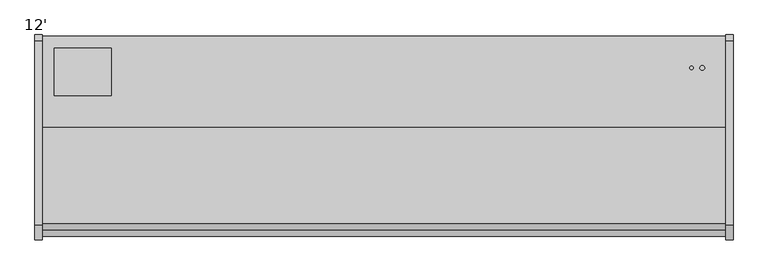
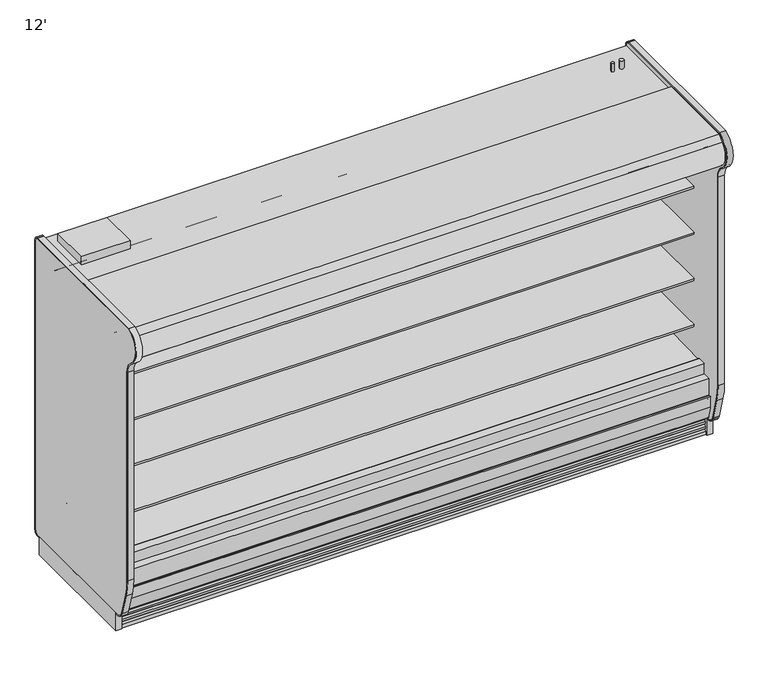
"""IFC4 building model written with IfcOpenShell, lengths in millimetres: proxy geometry, 12'."""

from ifc_helpers import new_model, si_unit, point, frame, frame_2d, origin, origin_with_axes, place, context, project, spatial, polyline, circle_curve, ellipse_curve, trimmed, segment, composite_curve, outline, extrude, source, transform, mapped, element, save
from ifc_brep_helpers import plane_surface, cylinder_surface, revolved_surface, advanced_brep


def proxy_12_2cf9d549(model_context):
    return source(origin(), model_context, "Body", "SolidModel", [
        advanced_brep(
        [(3657.6, -502.6469358, 478.049844), (3657.6, -555.1853592, 478.049844), (3657.6, -555.1853592, 470.6082296), (3657.6, -566.9994519, 457.9391661), (3657.6, -652.5039641, 451.9601082), (3657.6, -661.9535863, 451.9601082), (3657.6, -661.9535863, 458.3354811), (3657.6, -664.8262137, 461.0924129), (3657.6, -1183.8353592, 448.8187782), (3657.6, -1183.8353592, 451.8697146), (3657.6, -1191.7601592, 459.7945146), (3657.6, -1245.9961468, 459.7945146), (3657.6, -1245.9961468, 281.5377373), (3657.6, -1136.0148401, 189.2524634), (3657.6, -1121.4102893, 189.7624656), (3657.6, -1082.2990149, 161.4683934), (3657.6, -1081.0610355, 161.5116246), (3657.6, -1067.6895315, 152.4973852), (3657.6, -1007.4012798, 154.6026974), (3657.6, -994.6911497, 164.5277274), (3657.6, -993.4531703, 164.5709586), (3657.6, -956.4108637, 195.5243725), (3657.6, -502.6469358, 211.370158), (0.0, -502.6469358, 478.049844), (0.0, -502.6469358, 211.370158), (0.0, -956.4108637, 195.5243725), (0.0, -993.4531703, 164.5709586), (0.0, -994.6911497, 164.5277274), (0.0, -1007.4012798, 154.6026974), (0.0, -1067.6895315, 152.4973852), (0.0, -1081.0610355, 161.5116246), (0.0, -1082.2990149, 161.4683934), (0.0, -1121.4102893, 189.7624656), (0.0, -1136.0148401, 189.2524634), (0.0, -1245.9961468, 281.5377373), (0.0, -1245.9961468, 459.7945146), (0.0, -1191.7601592, 459.7945146), (0.0, -1183.8353592, 451.8697146), (0.0, -1183.8353592, 448.8187782), (0.0, -664.8262137, 461.0924129), (0.0, -661.9535863, 458.3354811), (0.0, -661.9535863, 451.9601082), (0.0, -652.5039641, 451.9601082), (0.0, -566.9994519, 457.9391661), (0.0, -555.1853592, 470.6082296), (0.0, -555.1853592, 478.049844), (3508.8060645, -547.5589273, 209.8017967), (3556.0, -547.5589273, 279.4), (3603.1939355, -547.5589273, 209.8017967), (3556.0, -502.6469358, 279.4), (3603.7888328, -502.6469358, 211.370158), (3508.2111672, -502.6469358, 211.370158)],
        [
            (0, 1),
            (1, 2),
            (2, 3, circle_curve(frame((3657.6, -567.8853592, 470.6082296), z_axis=(-1.0, 0.0, 0.0), x_axis=(0.0, 1.0, 0.0)), 12.7)),
            (3, 4),
            (4, 5),
            (5, 6),
            (6, 7, circle_curve(frame((3657.6, -664.7598588, 458.2864974), z_axis=(1.0, 0.0, 0.0), x_axis=(0.0, 1.0, 0.0)), 2.8067)),
            (7, 8),
            (8, 9),
            (9, 10, circle_curve(frame((3657.6, -1191.7601592, 451.8697146), z_axis=(1.0, 0.0, 0.0), x_axis=(0.0, 1.0, 0.0)), 7.9248)),
            (10, 11),
            (11, 12),
            (12, 13),
            (13, 14),
            (14, 15),
            (15, 16),
            (16, 17),
            (17, 18),
            (18, 19),
            (19, 20),
            (20, 21),
            (21, 22),
            (22, 0),
            (23, 24),
            (24, 25),
            (25, 26),
            (26, 27),
            (27, 28),
            (28, 29),
            (29, 30),
            (30, 31),
            (31, 32),
            (32, 33),
            (33, 34),
            (34, 35),
            (35, 36),
            (36, 37, circle_curve(frame((0.0, -1191.7601592, 451.8697146), z_axis=(-1.0, 0.0, 0.0), x_axis=(0.0, 1.0, 0.0)), 7.9248)),
            (37, 38),
            (38, 39),
            (39, 40, circle_curve(frame((0.0, -664.7598588, 458.2864974), z_axis=(-1.0, 0.0, 0.0), x_axis=(0.0, 1.0, 0.0)), 2.8067)),
            (40, 41),
            (41, 42),
            (42, 43),
            (43, 44, circle_curve(frame((0.0, -567.8853592, 470.6082296), z_axis=(1.0, 0.0, 0.0), x_axis=(0.0, 1.0, 0.0)), 12.7)),
            (44, 45),
            (45, 23),
            (46, 47, circle_curve(frame((3556.0, -547.5589273, 228.6), z_axis=(0.0, 1.0, 0.0), x_axis=(0.0, 0.0, 1.0)), 50.8)),
            (47, 48, circle_curve(frame((3556.0, -547.5589273, 228.6), z_axis=(0.0, 1.0, 0.0), x_axis=(0.0, 0.0, 1.0)), 50.8)),
            (48, 46),
            (47, 49),
            (49, 50, circle_curve(frame((3556.0, -502.6469358, 228.6), z_axis=(0.0, 1.0, 0.0), x_axis=(0.0, 0.0, 1.0)), 50.8)),
            (50, 48, ellipse_curve(frame((3556.0, -9.248816, 228.6), z_axis=(0.0, 0.03489949670246394, -0.9993908270190971), x_axis=(0.0, -0.9993908270190969, -0.03489949670246394)), 1455.6083841, 50.8)),
            (46, 51, ellipse_curve(frame((3556.0, -9.248816, 228.6), z_axis=(0.0, 0.03489949670246394, -0.9993908270190971), x_axis=(0.0, -0.9993908270190969, -0.03489949670246394)), 1455.6083841, 50.8)),
            (51, 49, circle_curve(frame((3556.0, -502.6469358, 228.6), z_axis=(0.0, 1.0, 0.0), x_axis=(0.0, 0.0, 1.0)), 50.8)),
            (22, 50),
            (51, 24),
            (23, 0),
            (45, 1),
            (44, 2),
            (43, 3),
            (42, 4),
            (41, 5),
            (40, 6),
            (39, 7),
            (8, 38),
            (37, 9),
            (36, 10),
            (35, 11),
            (34, 12),
            (33, 13),
            (32, 14),
            (31, 15),
            (30, 16),
            (29, 17),
            (28, 18),
            (27, 19),
            (26, 20),
            (25, 21),
        ],
        [
            plane_surface(frame((3657.6, -502.6469358, 478.049844), z_axis=(1.0, 0.0, 0.0), x_axis=(0.0, -1.0, 0.0))),
            plane_surface(frame((0.0, -502.6469358, 478.049844), z_axis=(-1.0, 0.0, 0.0), x_axis=(0.0, 1.0, 0.0))),
            plane_surface(frame((3556.0, -547.5589273, 279.4), z_axis=(0.0, 1.0, 0.0), x_axis=(-1.0, 0.0, 0.0))),
            revolved_surface(polyline([(3556.0, -1463.9704828016302, 279.4), (3556.0, 1445.47285080163, 279.4)]), (3556.0, -401.5089273, 228.6), (0.0, -1.0, 0.0)),
            plane_surface(frame((3657.6, -502.6469358, 211.370158), z_axis=(0.0, 1.0, 0.0), x_axis=(-1.0, 0.0, 0.0))),
            plane_surface(frame((3657.6, -502.6469358, 478.049844), z_axis=(0.0, 0.0, 1.0), x_axis=(-1.0, 0.0, 0.0))),
            plane_surface(frame((3657.6, -555.1853592, 478.049844), z_axis=(0.0, -1.0, 0.0), x_axis=(-1.0, 0.0, 0.0))),
            revolved_surface(polyline([(0.0, -555.1853592, 470.6082296), (3657.6, -555.1853592, 470.6082296)]), (0.0, -567.8853592, 470.6082296), (-1.0, 0.0, 0.0)),
            plane_surface(frame((3657.6, -566.9994519, 457.9391661), z_axis=(0.0, -0.06975647369769979, 0.9975640502630707), x_axis=(-1.0, 0.0, 0.0))),
            plane_surface(frame((3657.6, -652.5039641, 451.9601082), z_axis=(0.0, 0.0, 1.0), x_axis=(-1.0, 0.0, 0.0))),
            plane_surface(frame((3657.6, -661.9535863, 451.9601082), z_axis=(0.0, 1.0, 0.0), x_axis=(-1.0, 0.0, 0.0))),
            cylinder_surface(frame((0.0, -664.7598588, 458.2864974), z_axis=(1.0, 0.0, 0.0), x_axis=(0.0, 1.0, 0.0)), 2.8067),
            plane_surface(frame((3657.6, -1183.8353592, 448.8187782), z_axis=(0.0, 1.0, 0.0), x_axis=(-1.0, 0.0, 0.0))),
            cylinder_surface(frame((0.0, -1191.7601592, 451.8697146), z_axis=(1.0, 0.0, 0.0), x_axis=(0.0, 1.0, 0.0)), 7.9248),
            plane_surface(frame((3657.6, -1191.7601592, 459.7945146), z_axis=(0.0, 0.0, 1.0), x_axis=(-1.0, 0.0, 0.0))),
            plane_surface(frame((3657.6, -1245.9961468, 459.7945146), z_axis=(0.0, -1.0, 0.0), x_axis=(-1.0, 0.0, 0.0))),
            plane_surface(frame((3657.6, -664.8262137, 461.0924129), z_axis=(0.0, -0.02364159544812426, 0.9997204984217676), x_axis=(-1.0, 0.0, 0.0))),
            plane_surface(frame((3657.6, -1245.9961468, 281.5377373), z_axis=(0.0, -0.642787609687072, -0.766044443118531), x_axis=(-1.0, 0.0, 0.0))),
            plane_surface(frame((3657.6, -1136.0148401, 189.2524634), z_axis=(0.0, 0.03489949670339704, -0.9993908270190645), x_axis=(-1.0, 0.0, 0.0))),
            plane_surface(frame((3657.6, -1121.4102893, 189.7624656), z_axis=(0.0, -0.5861307997256249, -0.8102164436821802), x_axis=(-1.0, 0.0, 0.0))),
            plane_surface(frame((3657.6, -1082.2990149, 161.4683934), z_axis=(0.0, 0.0348994967014342, -0.9993908270191331), x_axis=(-1.0, 0.0, 0.0))),
            plane_surface(frame((3657.6, -1081.0610355, 161.5116246), z_axis=(0.0, -0.5589817440967416, -0.8291799622317009), x_axis=(-1.0, 0.0, 0.0))),
            plane_surface(frame((3657.6, -1067.6895315, 152.4973852), z_axis=(0.0, 0.034899496702446756, -0.9993908270190978), x_axis=(-1.0, 0.0, 0.0))),
            plane_surface(frame((3657.6, -1007.4012798, 154.6026974), z_axis=(0.0, 0.6154607629252867, -0.7881675261639648), x_axis=(-1.0, 0.0, 0.0))),
            plane_surface(frame((3657.6, -994.6911497, 164.5277274), z_axis=(0.0, 0.03489949670161573, -0.9993908270191267), x_axis=(-1.0, 0.0, 0.0))),
            plane_surface(frame((3657.6, -993.4531703, 164.5709586), z_axis=(0.0, 0.6412208566386183, -0.7673563794037531), x_axis=(-1.0, 0.0, 0.0))),
            plane_surface(frame((3657.6, -956.4108637, 195.5243725), z_axis=(0.0, 0.03489949670246394, -0.9993908270190971), x_axis=(-1.0, 0.0, 0.0))),
        ],
        [
            (0, [[1, 2, 3, 4, 5, 6, 7, 8, 9, 10, 11, 12, 13, 14, 15, 16, 17, 18, 19, 20, 21, 22, 23]]),
            (1, [[24, 25, 26, 27, 28, 29, 30, 31, 32, 33, 34, 35, 36, 37, 38, 39, 40, 41, 42, 43, 44, 45, 46]]),
            (2, [[47, 48, 49]]),
            (3, [[-48, 50, 51, 52]]),
            (3, [[-47, 53, 54, -50]]),
            (4, [[-23, 55, -51, -54, 56, -24, 57]]),
            (5, [[-1, -57, -46, 58]]),
            (6, [[-2, -58, -45, 59]]),
            (7, [[-3, -59, -44, 60]]),
            (8, [[-4, -60, -43, 61]]),
            (9, [[-5, -61, -42, 62]]),
            (10, [[-6, -62, -41, 63]]),
            (11, [[-7, -63, -40, 64]]),
            (12, [[-9, 65, -38, 66]]),
            (13, [[-10, -66, -37, 67]]),
            (14, [[-11, -67, -36, 68]]),
            (15, [[-12, -68, -35, 69]]),
            (16, [[-8, -64, -39, -65]]),
            (17, [[-13, -69, -34, 70]]),
            (18, [[-14, -70, -33, 71]]),
            (19, [[-15, -71, -32, 72]]),
            (20, [[-16, -72, -31, 73]]),
            (21, [[-17, -73, -30, 74]]),
            (22, [[-18, -74, -29, 75]]),
            (23, [[-19, -75, -28, 76]]),
            (24, [[-20, -76, -27, 77]]),
            (25, [[-21, -77, -26, 78]]),
            (26, [[-22, -78, -25, -56, -53, -49, -52, -55]]),
        ],
    ),
        advanced_brep(
        [(3657.6, -452.3089273, 478.049844), (3657.6, -502.6469358, 478.049844), (3657.6, -502.6469358, 211.370158), (3657.6, -956.4108637, 195.5243725), (3657.6, -993.4531703, 164.5709586), (3657.6, -994.6911497, 164.5277274), (3657.6, -1007.4012798, 154.6026974), (3657.6, -1067.6895315, 152.4973852), (3657.6, -1081.0610355, 161.5116246), (3657.6, -1082.2990149, 161.4683934), (3657.6, -1121.4102893, 189.7624656), (3657.6, -1136.0148401, 189.2524634), (3657.6, -1245.9961468, 281.5377373), (3657.6, -1245.9961468, 391.318369), (3657.6, -1295.500747, 391.318369), (3657.6, -1295.500747, 255.4053459), (3657.6, -1146.2570324, 130.175), (3657.6, -452.3089273, 130.175), (0.0, -452.3089273, 478.049844), (0.0, -452.3089273, 130.175), (0.0, -1146.2570324, 130.175), (0.0, -1295.500747, 255.4053459), (0.0, -1295.500747, 391.318369), (0.0, -1245.9961468, 391.318369), (0.0, -1245.9961468, 281.5377373), (0.0, -1136.0148401, 189.2524634), (0.0, -1121.4102893, 189.7624656), (0.0, -1082.2990149, 161.4683934), (0.0, -1081.0610355, 161.5116246), (0.0, -1067.6895315, 152.4973852), (0.0, -1007.4012798, 154.6026974), (0.0, -994.6911497, 164.5277274), (0.0, -993.4531703, 164.5709586), (0.0, -956.4108637, 195.5243725), (0.0, -502.6469358, 211.370158), (0.0, -502.6469358, 478.049844), (3556.0, -452.3089273, 177.8), (3556.0, -452.3089273, 279.4), (3556.0, -547.5589273, 177.8), (3508.8060645, -547.5589273, 209.8017967), (3603.1939355, -547.5589273, 209.8017967), (3603.7888328, -502.6469358, 211.370158), (3556.0, -502.6469358, 279.4), (3508.2111672, -502.6469358, 211.370158)],
        [
            (0, 1),
            (1, 2),
            (2, 3),
            (3, 4),
            (4, 5),
            (5, 6),
            (6, 7),
            (7, 8),
            (8, 9),
            (9, 10),
            (10, 11),
            (11, 12),
            (12, 13),
            (13, 14),
            (14, 15),
            (15, 16),
            (16, 17),
            (17, 0),
            (18, 19),
            (19, 20),
            (20, 21),
            (21, 22),
            (22, 23),
            (23, 24),
            (24, 25),
            (25, 26),
            (26, 27),
            (27, 28),
            (28, 29),
            (29, 30),
            (30, 31),
            (31, 32),
            (32, 33),
            (33, 34),
            (34, 35),
            (35, 18),
            (14, 22),
            (21, 15),
            (17, 19),
            (18, 0),
            (36, 37, circle_curve(frame((3556.0, -452.3089273, 228.6), z_axis=(0.0, -1.0, 0.0), x_axis=(0.0, 0.0, 1.0)), 50.8)),
            (37, 36, circle_curve(frame((3556.0, -452.3089273, 228.6), z_axis=(0.0, -1.0, 0.0), x_axis=(0.0, 0.0, 1.0)), 50.8)),
            (38, 39, circle_curve(frame((3556.0, -547.5589273, 228.6), z_axis=(0.0, 1.0, 0.0), x_axis=(0.0, 0.0, 1.0)), 50.8)),
            (39, 40),
            (40, 38, circle_curve(frame((3556.0, -547.5589273, 228.6), z_axis=(0.0, 1.0, 0.0), x_axis=(0.0, 0.0, 1.0)), 50.8)),
            (40, 41, ellipse_curve(frame((3556.0, -9.248816, 228.6), z_axis=(0.0, -0.034899496702464144, 0.999390827019097), x_axis=(0.0, -0.9993908270190969, -0.03489949670246414)), 1455.6083841, 50.8)),
            (41, 42, circle_curve(frame((3556.0, -502.6469358, 228.6), z_axis=(0.0, -1.0, 0.0), x_axis=(0.0, 0.0, 1.0)), 50.8)),
            (42, 37),
            (36, 38),
            (42, 43, circle_curve(frame((3556.0, -502.6469358, 228.6), z_axis=(0.0, -1.0, 0.0), x_axis=(0.0, 0.0, 1.0)), 50.8)),
            (43, 39, ellipse_curve(frame((3556.0, -9.248816, 228.6), z_axis=(0.0, -0.034899496702464144, 0.999390827019097), x_axis=(0.0, -0.9993908270190969, -0.03489949670246414)), 1455.6083841, 50.8)),
            (35, 1),
            (34, 43),
            (41, 2),
            (12, 24),
            (23, 13),
            (33, 3),
            (32, 4),
            (31, 5),
            (30, 6),
            (29, 7),
            (28, 8),
            (27, 9),
            (26, 10),
            (25, 11),
            (20, 16),
        ],
        [
            plane_surface(frame((3657.6, -502.6469358, 478.049844), z_axis=(1.0, 0.0, 0.0), x_axis=(0.0, -1.0, 0.0))),
            plane_surface(frame((0.0, -502.6469358, 478.049844), z_axis=(-1.0, 0.0, 0.0), x_axis=(0.0, 1.0, 0.0))),
            plane_surface(frame((3657.6, -1295.500747, 391.318369), z_axis=(0.0, -1.0, 0.0), x_axis=(-1.0, 0.0, 0.0))),
            plane_surface(frame((3657.6, -452.3089273, 130.175), z_axis=(0.0, 1.0, 0.0), x_axis=(-1.0, 0.0, 0.0))),
            plane_surface(frame((3556.0, -547.5589273, 279.4), z_axis=(0.0, 1.0, 0.0), x_axis=(-1.0, 0.0, 0.0))),
            revolved_surface(polyline([(3556.0, -1463.9704828016302, 279.4), (3556.0, 1445.47285080163, 279.4)]), (3556.0, -401.5089273, 228.6), (0.0, -1.0, 0.0)),
            plane_surface(frame((3657.6, -452.3089273, 478.049844), z_axis=(0.0, 0.0, 1.0), x_axis=(-1.0, 0.0, 0.0))),
            plane_surface(frame((3657.6, -502.6469358, 478.049844), z_axis=(0.0, -1.0, 0.0), x_axis=(-1.0, 0.0, 0.0))),
            plane_surface(frame((3657.6, -1245.9961468, 281.5377373), z_axis=(0.0, 1.0, 0.0), x_axis=(-1.0, 0.0, 0.0))),
            plane_surface(frame((3657.6, -1245.9961468, 391.318369), z_axis=(0.0, 0.0, 1.0), x_axis=(-1.0, 0.0, 0.0))),
            plane_surface(frame((3657.6, -502.6469358, 211.370158), z_axis=(0.0, -0.034899496702464144, 0.999390827019097), x_axis=(-1.0, 0.0, 0.0))),
            plane_surface(frame((3657.6, -956.4108637, 195.5243725), z_axis=(0.0, -0.641220856638617, 0.7673563794037541), x_axis=(-1.0, 0.0, 0.0))),
            plane_surface(frame((3657.6, -993.4531703, 164.5709586), z_axis=(0.0, -0.034899496701599884, 0.9993908270191273), x_axis=(-1.0, 0.0, 0.0))),
            plane_surface(frame((3657.6, -994.6911497, 164.5277274), z_axis=(0.0, -0.6154607629252798, 0.7881675261639701), x_axis=(-1.0, 0.0, 0.0))),
            plane_surface(frame((3657.6, -1007.4012798, 154.6026974), z_axis=(0.0, -0.034899496702446756, 0.9993908270190978), x_axis=(-1.0, 0.0, 0.0))),
            plane_surface(frame((3657.6, -1067.6895315, 152.4973852), z_axis=(0.0, 0.5589817440967416, 0.8291799622317009), x_axis=(-1.0, 0.0, 0.0))),
            plane_surface(frame((3657.6, -1081.0610355, 161.5116246), z_axis=(0.0, -0.03489949670146529, 0.999390827019132), x_axis=(-1.0, 0.0, 0.0))),
            plane_surface(frame((3657.6, -1082.2990149, 161.4683934), z_axis=(0.0, 0.5861307997256245, 0.8102164436821805), x_axis=(-1.0, 0.0, 0.0))),
            plane_surface(frame((3657.6, -1121.4102893, 189.7624656), z_axis=(0.0, -0.03489949670339704, 0.9993908270190645), x_axis=(-1.0, 0.0, 0.0))),
            plane_surface(frame((3657.6, -1136.0148401, 189.2524634), z_axis=(0.0, 0.6427876096870723, 0.7660444431185309), x_axis=(-1.0, 0.0, 0.0))),
            plane_surface(frame((3657.6, -1295.500747, 255.4053459), z_axis=(0.0, -0.6427876096870814, -0.7660444431185233), x_axis=(-1.0, 0.0, 0.0))),
            plane_surface(frame((3657.6, -1146.2570324, 130.175), z_axis=(0.0, 0.0, -1.0), x_axis=(-1.0, 0.0, 0.0))),
        ],
        [
            (0, [[1, 2, 3, 4, 5, 6, 7, 8, 9, 10, 11, 12, 13, 14, 15, 16, 17, 18]]),
            (1, [[19, 20, 21, 22, 23, 24, 25, 26, 27, 28, 29, 30, 31, 32, 33, 34, 35, 36]]),
            (2, [[-15, 37, -22, 38]]),
            (3, [[-18, 39, -19, 40], [41, 42]]),
            (4, [[43, 44, 45]]),
            (5, [[-45, 46, 47, 48, -41, 49]]),
            (5, [[-43, -49, -42, -48, 50, 51]]),
            (6, [[-1, -40, -36, 52]]),
            (7, [[-2, -52, -35, 53, -50, -47, 54]]),
            (8, [[-13, 55, -24, 56]]),
            (9, [[-14, -56, -23, -37]]),
            (10, [[-3, -54, -46, -44, -51, -53, -34, 57]]),
            (11, [[-4, -57, -33, 58]]),
            (12, [[-5, -58, -32, 59]]),
            (13, [[-6, -59, -31, 60]]),
            (14, [[-7, -60, -30, 61]]),
            (15, [[-8, -61, -29, 62]]),
            (16, [[-9, -62, -28, 63]]),
            (17, [[-10, -63, -27, 64]]),
            (18, [[-11, -64, -26, 65]]),
            (19, [[-12, -65, -25, -55]]),
            (20, [[-16, -38, -21, 66]]),
            (21, [[-17, -66, -20, -39]]),
        ],
    ),
        extrude(outline(composite_curve([segment(trimmed(circle_curve(frame_2d((228.6, 3581.7889784)), 12.7), [point((215.9, 3581.7889784))], [point((241.3, 3581.7889784))], False, "CARTESIAN"), True, "CONTINUOUS"), segment(trimmed(circle_curve(frame_2d((228.6, 3581.7889784)), 12.7), [point((241.3, 3581.7889784))], [point((215.9, 3581.7889784))], False, "CARTESIAN"), True, "CONTINUOUS")], self_intersect=False)), frame((0.0, -547.5589273, 0.0), z_axis=(0.0, 1.0, 0.0), x_axis=(0.0, 0.0, 1.0)), (0.0, 0.0, 1.0), 95.25),
        extrude(outline(composite_curve([segment(trimmed(circle_curve(frame_2d((228.6, 3530.2110216)), 9.525), [point((219.075, 3530.2110216))], [point((238.125, 3530.2110216))], False, "CARTESIAN"), True, "CONTINUOUS"), segment(trimmed(circle_curve(frame_2d((228.6, 3530.2110216)), 9.525), [point((238.125, 3530.2110216))], [point((219.075, 3530.2110216))], False, "CARTESIAN"), True, "CONTINUOUS")], self_intersect=False)), frame((0.0, -547.5589273, 0.0), z_axis=(0.0, 1.0, 0.0), x_axis=(0.0, 0.0, 1.0)), (0.0, 0.0, 1.0), 95.25),
        extrude(outline(composite_curve([segment(trimmed(circle_curve(frame_2d((-1337.9666753, 1911.7037149)), 12.7), [point((-1350.6666753, 1911.7037149))], [point((-1325.2666753, 1911.7037149))], False, "CARTESIAN"), True, "CONTINUOUS"), segment(trimmed(circle_curve(frame_2d((-1337.9666753, 1911.7037149)), 12.7), [point((-1325.2666753, 1911.7037149))], [point((-1350.6666753, 1911.7037149))], False, "CARTESIAN"), True, "CONTINUOUS")], self_intersect=False)), frame((0.0, 0.0, 0.0), z_axis=(1.0, 0.0, 0.0), x_axis=(0.0, 1.0, 0.0)), (0.0, 0.0, 1.0), 3657.6),
        extrude(outline(composite_curve([segment(trimmed(circle_curve(frame_2d((-1378.1531837, 1911.7037149)), 12.7), [point((-1390.8531837, 1911.7037149))], [point((-1365.4531837, 1911.7037149))], False, "CARTESIAN"), True, "CONTINUOUS"), segment(trimmed(circle_curve(frame_2d((-1378.1531837, 1911.7037149)), 12.7), [point((-1365.4531837, 1911.7037149))], [point((-1390.8531837, 1911.7037149))], False, "CARTESIAN"), True, "CONTINUOUS")], self_intersect=False)), frame((0.0, 0.0, 0.0), z_axis=(1.0, 0.0, 0.0), x_axis=(0.0, 1.0, 0.0)), (0.0, 0.0, 1.0), 3657.6),
        extrude(outline(composite_curve([segment(trimmed(circle_curve(frame_2d((-1187.8634511, 1917.4033113)), 1.5005821), [point((-1186.3628691, 1917.4033113))], [point((-1187.8634511, 1915.9027293))], False, "CARTESIAN"), True, "CONTINUOUS"), segment(polyline([(-1187.8634511, 1915.9027293), (-1279.5169745, 1915.9027293)]), True, "CONTINUOUS"), segment(trimmed(circle_curve(frame_2d((-1279.5169745, 1917.4033113)), 1.5005821), [point((-1279.5169745, 1915.9027293))], [point((-1281.0175566, 1917.4033113))], False, "CARTESIAN"), True, "CONTINUOUS"), segment(polyline([(-1281.0175566, 1917.4033113), (-1281.0175566, 1947.8625), (-1186.3628691, 1947.8625), (-1186.3628691, 1917.4033113)]), True, "CONTINUOUS")], self_intersect=False)), frame((0.0, 0.0, 0.0), z_axis=(1.0, 0.0, 0.0), x_axis=(0.0, 1.0, 0.0)), (0.0, 0.0, 1.0), 3657.6),
        extrude(outline(polyline([(3619.5, -527.982038), (3619.5, -452.3089273), (3657.6, -452.3089273), (3657.6, -527.982038), (3619.5, -527.982038)])), frame((0.0, 0.0, 478.049844), z_axis=(0.0, 0.0, 1.0), x_axis=(1.0, 0.0, 0.0)), (0.0, 0.0, 1.0), 1406.312656),
        extrude(outline(polyline([(38.1, -452.3089273), (38.1, -527.982038), (0.0, -527.982038), (0.0, -452.3089273), (38.1, -452.3089273)])), frame((0.0, 0.0, 478.049844), z_axis=(0.0, 0.0, 1.0), x_axis=(1.0, 0.0, 0.0)), (0.0, 0.0, 1.0), 1406.312656),
        extrude(outline(composite_curve([segment(polyline([(-1282.9027128, 2000.2), (-452.3089273, 2000.2), (-452.3089273, 1884.3625), (-527.982038, 1884.3625)]), True, "CONTINUOUS"), segment(trimmed(circle_curve(frame_2d((-591.482038, 1884.3625)), 63.5), [point((-527.982038, 1884.3625))], [point((-591.482038, 1947.8625))], True, "CARTESIAN"), True, "CONTINUOUS"), segment(polyline([(-591.482038, 1947.8625), (-1184.4777128, 1947.8625), (-1184.4777128, 1917.4033113)]), True, "CONTINUOUS"), segment(trimmed(circle_curve(frame_2d((-1187.8634511, 1917.4033113)), 3.3857383), [point((-1184.4777128, 1917.4033113))], [point((-1187.8634511, 1914.017573))], False, "CARTESIAN"), True, "CONTINUOUS"), segment(polyline([(-1187.8634511, 1914.017573), (-1195.7812565, 1914.017573)]), True, "CONTINUOUS"), segment(trimmed(circle_curve(frame_2d((-1195.7812565, 1914.9601512)), 0.9425781), [point((-1195.7812565, 1914.017573))], [point((-1195.7812565, 1915.9027293))], False, "CARTESIAN"), True, "CONTINUOUS"), segment(polyline([(-1195.7812565, 1915.9027293), (-1187.8634511, 1915.9027293)]), True, "CONTINUOUS"), segment(trimmed(circle_curve(frame_2d((-1187.8634511, 1917.4033113)), 1.5005821), [point((-1187.8634511, 1915.9027293))], [point((-1186.3628691, 1917.4033113))], True, "CARTESIAN"), True, "CONTINUOUS"), segment(polyline([(-1186.3628691, 1917.4033113), (-1186.3628691, 1947.8625), (-1281.0175566, 1947.8625), (-1281.0175566, 1917.4033113)]), True, "CONTINUOUS"), segment(trimmed(circle_curve(frame_2d((-1279.5169745, 1917.4033113)), 1.5005821), [point((-1281.0175566, 1917.4033113))], [point((-1279.5169745, 1915.9027293))], True, "CARTESIAN"), True, "CONTINUOUS"), segment(polyline([(-1279.5169745, 1915.9027293), (-1271.5991691, 1915.9027293)]), True, "CONTINUOUS"), segment(trimmed(circle_curve(frame_2d((-1271.5991691, 1914.9601512)), 0.9425781), [point((-1271.5991691, 1915.9027293))], [point((-1271.5991691, 1914.017573))], False, "CARTESIAN"), True, "CONTINUOUS"), segment(polyline([(-1271.5991691, 1914.017573), (-1279.5169745, 1914.017573)]), True, "CONTINUOUS"), segment(trimmed(circle_curve(frame_2d((-1279.5169745, 1917.4033113)), 3.3857383), [point((-1279.5169745, 1914.017573))], [point((-1282.9027128, 1917.4033113))], False, "CARTESIAN"), True, "CONTINUOUS"), segment(polyline([(-1282.9027128, 1917.4033113), (-1282.9027128, 1947.8625), (-1282.9027128, 2000.2)]), True, "CONTINUOUS")], self_intersect=False)), frame((0.0, 0.0, 0.0), z_axis=(1.0, 0.0, 0.0), x_axis=(0.0, 1.0, 0.0)), (0.0, 0.0, 1.0), 3657.6),
        extrude(outline(composite_curve([segment(polyline([(-1137.582038, 651.7879305), (-527.982038, 651.7879305), (-527.982038, 591.2278792), (-535.6697275, 591.2278792)]), True, "CONTINUOUS"), segment(trimmed(circle_curve(frame_2d((-535.6697275, 646.8832097)), 55.6553306), [point((-535.6697275, 591.2278792))], [point((-567.5923137, 601.2930319))], False, "CARTESIAN"), True, "CONTINUOUS"), segment(polyline([(-567.5923137, 601.2930319), (-571.1163519, 603.76059)]), True, "CONTINUOUS"), segment(trimmed(circle_curve(frame_2d((-614.8228763, 541.3412043)), 76.2), [point((-571.1163519, 603.76059))], [point((-610.8348764, 617.4367748))], True, "CARTESIAN"), True, "CONTINUOUS"), segment(polyline([(-610.8348764, 617.4367748), (-902.632038, 632.7292161), (-902.632038, 639.0879305), (-1137.582038, 639.0879305), (-1137.582038, 651.7879305)]), True, "CONTINUOUS")], self_intersect=False)), frame((0.0, 0.0, 0.0), z_axis=(1.0, 0.0, 0.0), x_axis=(0.0, 1.0, 0.0)), (0.0, 0.0, 1.0), 3657.6),
        extrude(outline(composite_curve([segment(polyline([(-1137.582038, 956.5879305), (-527.982038, 956.5879305), (-527.982038, 896.0278792), (-535.6697275, 896.0278792)]), True, "CONTINUOUS"), segment(trimmed(circle_curve(frame_2d((-535.6697275, 951.6832097)), 55.6553306), [point((-535.6697275, 896.0278792))], [point((-567.5923137, 906.0930319))], False, "CARTESIAN"), True, "CONTINUOUS"), segment(polyline([(-567.5923137, 906.0930319), (-571.1163519, 908.56059)]), True, "CONTINUOUS"), segment(trimmed(circle_curve(frame_2d((-614.8228763, 846.1412043)), 76.2), [point((-571.1163519, 908.56059))], [point((-610.8348764, 922.2367748))], True, "CARTESIAN"), True, "CONTINUOUS"), segment(polyline([(-610.8348764, 922.2367748), (-902.632038, 937.5292161), (-902.632038, 943.8879305), (-1137.582038, 943.8879305), (-1137.582038, 956.5879305)]), True, "CONTINUOUS")], self_intersect=False)), frame((0.0, 0.0, 0.0), z_axis=(1.0, 0.0, 0.0), x_axis=(0.0, 1.0, 0.0)), (0.0, 0.0, 1.0), 3657.6),
        extrude(outline(composite_curve([segment(polyline([(-1137.582038, 1261.3879305), (-527.982038, 1261.3879305), (-527.982038, 1200.8278792), (-535.6697275, 1200.8278792)]), True, "CONTINUOUS"), segment(trimmed(circle_curve(frame_2d((-535.6697275, 1256.4832097)), 55.6553306), [point((-535.6697275, 1200.8278792))], [point((-567.5923137, 1210.8930319))], False, "CARTESIAN"), True, "CONTINUOUS"), segment(polyline([(-567.5923137, 1210.8930319), (-571.1163519, 1213.36059)]), True, "CONTINUOUS"), segment(trimmed(circle_curve(frame_2d((-614.8228763, 1150.9412043)), 76.2), [point((-571.1163519, 1213.36059))], [point((-610.8348764, 1227.0367748))], True, "CARTESIAN"), True, "CONTINUOUS"), segment(polyline([(-610.8348764, 1227.0367748), (-902.632038, 1242.3292161), (-902.632038, 1248.6879305), (-1137.582038, 1248.6879305), (-1137.582038, 1261.3879305)]), True, "CONTINUOUS")], self_intersect=False)), frame((0.0, 0.0, 0.0), z_axis=(1.0, 0.0, 0.0), x_axis=(0.0, 1.0, 0.0)), (0.0, 0.0, 1.0), 3657.6),
        extrude(outline(polyline([(3657.6, -401.5089273), (3657.6, -452.3089273), (0.0, -452.3089273), (0.0, -401.5089273), (3657.6, -401.5089273)])), frame((0.0, 0.0, 393.7), z_axis=(0.0, 0.0, 1.0), x_axis=(1.0, 0.0, 0.0)), (0.0, 0.0, 1.0), 71.9841995),
        extrude(outline(composite_curve([segment(polyline([(-1137.582038, 1566.1879305), (-527.982038, 1566.1879305), (-527.982038, 1505.6278792), (-535.6697275, 1505.6278792)]), True, "CONTINUOUS"), segment(trimmed(circle_curve(frame_2d((-535.6697275, 1561.2832097)), 55.6553306), [point((-535.6697275, 1505.6278792))], [point((-567.5923137, 1515.6930319))], False, "CARTESIAN"), True, "CONTINUOUS"), segment(polyline([(-567.5923137, 1515.6930319), (-571.1163519, 1518.16059)]), True, "CONTINUOUS"), segment(trimmed(circle_curve(frame_2d((-614.8228763, 1455.7412043)), 76.2), [point((-571.1163519, 1518.16059))], [point((-610.8348764, 1531.8367748))], True, "CARTESIAN"), True, "CONTINUOUS"), segment(polyline([(-610.8348764, 1531.8367748), (-902.632038, 1547.1292161), (-902.632038, 1553.4879305), (-1137.582038, 1553.4879305), (-1137.582038, 1566.1879305)]), True, "CONTINUOUS")], self_intersect=False)), frame((0.0, 0.0, 0.0), z_axis=(1.0, 0.0, 0.0), x_axis=(0.0, 1.0, 0.0)), (0.0, 0.0, 1.0), 3657.6),
        extrude(outline(composite_curve([segment(polyline([(-1316.0112399, 213.7963689), (-1316.0112399, 284.6022311)]), True, "CONTINUOUS"), segment(trimmed(circle_curve(frame_2d((-1302.3438406, 305.5225165)), 24.9891205), [point((-1316.0112399, 284.6022311))], [point((-1302.3438406, 280.533396))], True, "CARTESIAN"), True, "CONTINUOUS"), segment(polyline([(-1302.3438406, 280.533396), (-1295.500747, 280.533396), (-1295.500747, 255.4053459), (-1252.6956225, 219.4875818), (-1252.6956225, 117.4155263)]), True, "CONTINUOUS"), segment(trimmed(circle_curve(frame_2d((-845.835201, 502.4522566)), 560.1684446), [point((-1252.6956225, 117.4155263))], [point((-1274.9491252, 142.3829211))], False, "CARTESIAN"), True, "CONTINUOUS"), segment(trimmed(circle_curve(frame_2d((-1276.1652207, 141.3624958)), 1.5875), [point((-1274.9491252, 142.3829211))], [point((-1277.2877528, 142.4850278))], True, "CARTESIAN"), True, "CONTINUOUS"), segment(polyline([(-1277.2877528, 142.4850278), (-1289.6939555, 130.0788251)]), True, "CONTINUOUS"), segment(trimmed(circle_curve(frame_2d((-1291.4630659, 131.8479356)), 2.5019), [point((-1289.6939555, 130.0788251))], [point((-1293.8797157, 131.2003962))], False, "CARTESIAN"), True, "CONTINUOUS"), segment(polyline([(-1293.8797157, 131.2003962), (-1316.0112399, 213.7963689)]), True, "CONTINUOUS")], self_intersect=False)), frame((0.0, 0.0, 0.0), z_axis=(1.0, 0.0, 0.0), x_axis=(0.0, 1.0, 0.0)), (0.0, 0.0, 1.0), 3657.6),
        extrude(outline(composite_curve([segment(trimmed(circle_curve(frame_2d((-1264.8397493, 35.1748572)), 13.7058546), [point((-1265.3755728, 21.4794805))], [point((-1251.7577699, 31.0867934))], True, "CARTESIAN"), True, "CONTINUOUS"), segment(polyline([(-1251.7577699, 31.0867934), (-1248.2686728, 42.2520535), (-1258.9058681, 40.0942307), (-1260.8997681, 40.0942307), (-1260.8997681, 52.7942307)]), True, "CONTINUOUS"), segment(trimmed(circle_curve(frame_2d((-1265.3176359, 66.2963779)), 14.2065314), [point((-1260.8997681, 52.7942307))], [point((-1251.7577699, 62.0589765))], True, "CARTESIAN"), True, "CONTINUOUS"), segment(polyline([(-1251.7577699, 62.0589765), (-1248.2686728, 73.2242366), (-1258.9058681, 71.0664138), (-1260.8997681, 71.0664138), (-1260.8997681, 83.7664138)]), True, "CONTINUOUS"), segment(trimmed(circle_curve(frame_2d((-1265.3900112, 97.3399774)), 14.2969897), [point((-1260.8997681, 83.7664138))], [point((-1251.7577699, 93.0311596))], True, "CARTESIAN"), True, "CONTINUOUS"), segment(polyline([(-1251.7577699, 93.0311596), (-1248.2686728, 104.0699677), (-1258.9058681, 102.0387838), (-1260.8997681, 102.0387838), (-1260.8997681, 114.7387838)]), True, "CONTINUOUS"), segment(trimmed(circle_curve(frame_2d((-1260.3020035, 125.7034438)), 10.9809422), [point((-1260.8997681, 114.7387838))], [point((-1252.6956225, 117.7835915))], True, "CARTESIAN"), True, "CONTINUOUS"), segment(polyline([(-1252.6956225, 117.7835915), (-1252.6956225, 219.4875818), (-1243.1039054, 211.4391755), (-1243.1039054, 0.0), (-1265.3755728, 0.0), (-1265.3755728, 21.4794805)]), True, "CONTINUOUS")], self_intersect=False)), frame((0.0, 0.0, 0.0), z_axis=(1.0, 0.0, 0.0), x_axis=(0.0, 1.0, 0.0)), (0.0, 0.0, 1.0), 3657.6),
        extrude(outline(composite_curve([segment(polyline([(-890.8314059, 2074.8625), (-890.8314059, 2051.0), (-1292.0964273, 2051.0), (-1292.0964273, 2000.2), (-1282.9027128, 2000.2), (-1282.9027128, 1917.6586919), (-1288.7578303, 1917.6586919), (-1332.0119561, 1944.5671584), (-1415.8982895, 1944.5671584), (-1421.3165175, 1915.1925269), (-1429.4114869, 1908.6350237), (-1431.1703197, 1902.7826624), (-1436.3002256, 1894.7790745)]), True, "CONTINUOUS"), segment(trimmed(circle_curve(frame_2d((-1441.4408719, 1899.6852346)), 7.1060996), [point((-1436.3002256, 1894.7790745))], [point((-1446.7461506, 1894.9575851))], False, "CARTESIAN"), True, "CONTINUOUS"), segment(trimmed(circle_curve(frame_2d((-1368.0313829, 1965.1020309)), 105.4336661), [point((-1446.7461506, 1894.9575851))], [point((-1441.0920056, 2041.1178408))], False, "CARTESIAN"), True, "CONTINUOUS"), segment(trimmed(circle_curve(frame_2d((-1908.0386185, 2526.9517083)), 673.8498988), [point((-1441.0920056, 2041.1178408))], [point((-1408.3496814, 2074.8625))], True, "CARTESIAN"), True, "CONTINUOUS"), segment(polyline([(-1408.3496814, 2074.8625), (-890.8314059, 2074.8625)]), True, "CONTINUOUS")], self_intersect=False)), frame((0.0, 0.0, 0.0), z_axis=(1.0, 0.0, 0.0), x_axis=(0.0, 1.0, 0.0)), (0.0, 0.0, 1.0), 3657.6),
        extrude(outline(polyline([(-1292.0964273, 2051.0), (-401.5089273, 2051.0), (-401.5089273, 1957.9495083), (-452.3089273, 1957.9495083), (-452.3089273, 2000.2), (-1292.0964273, 2000.2), (-1292.0964273, 2051.0)])), frame((0.0, 0.0, 0.0), z_axis=(1.0, 0.0, 0.0), x_axis=(0.0, 1.0, 0.0)), (0.0, 0.0, 1.0), 3657.6),
        extrude(outline(composite_curve([segment(polyline([(-1392.2290939, 1784.9016892), (-1392.2290939, 406.0850007)]), True, "CONTINUOUS"), segment(trimmed(circle_curve(frame_2d((-1008.617536, 406.0850007)), 383.611558), [point((-1392.2290939, 406.0850007))], [point((-1377.3686327, 300.3473252))], True, "CARTESIAN"), True, "CONTINUOUS"), segment(polyline([(-1377.3686327, 300.3473252), (-1336.7287575, 158.6192373)]), True, "CONTINUOUS"), segment(trimmed(circle_curve(frame_2d((-1281.7926516, 174.3719121)), 57.15), [point((-1336.7287575, 158.6192373))], [point((-1281.7926516, 117.2219121))], True, "CARTESIAN"), True, "CONTINUOUS"), segment(polyline([(-1281.7926516, 117.2219121), (-1271.7255728, 117.2219121), (-1271.7255728, 110.8719121), (-1281.7926516, 110.8719121)]), True, "CONTINUOUS"), segment(trimmed(circle_curve(frame_2d((-1281.7926516, 174.3719121)), 63.5), [point((-1281.7926516, 110.8719121))], [point((-1342.8327693, 156.8689401))], False, "CARTESIAN"), True, "CONTINUOUS"), segment(polyline([(-1342.8327693, 156.8689401), (-1383.4726445, 298.597028)]), True, "CONTINUOUS"), segment(trimmed(circle_curve(frame_2d((-1008.617536, 406.0850007)), 389.961558), [point((-1383.4726445, 298.597028))], [point((-1398.5790939, 406.0850007))], False, "CARTESIAN"), True, "CONTINUOUS"), segment(polyline([(-1398.5790939, 406.0850007), (-1398.5790939, 1784.8396714)]), True, "CONTINUOUS"), segment(trimmed(circle_curve(frame_2d((-1502.3774091, 1782.7814147)), 103.8187201), [point((-1398.5790939, 1784.8396714))], [point((-1440.9312958, 1866.4635622))], True, "CARTESIAN"), True, "CONTINUOUS"), segment(trimmed(circle_curve(frame_2d((-1365.394948, 1969.3348988)), 127.6254353), [point((-1440.9312958, 1866.4635622))], [point((-1413.4837019, 2087.5538628))], False, "CARTESIAN"), True, "CONTINUOUS"), segment(polyline([(-1413.4837019, 2087.5538628), (-426.9089273, 2087.5538628)]), True, "CONTINUOUS"), segment(trimmed(circle_curve(frame_2d((-426.9089273, 2055.8038628)), 31.75), [point((-426.9089273, 2087.5538628))], [point((-395.1589273, 2055.8038628))], False, "CARTESIAN"), True, "CONTINUOUS"), segment(polyline([(-395.1589273, 2055.8038628), (-395.1589273, 142.6219121)]), True, "CONTINUOUS"), segment(trimmed(circle_curve(frame_2d((-426.9089273, 142.6219121)), 31.75), [point((-395.1589273, 142.6219121))], [point((-426.9089273, 110.8719121))], False, "CARTESIAN"), True, "CONTINUOUS"), segment(polyline([(-426.9089273, 110.8719121), (-441.59655, 110.8719121), (-441.59655, 117.2219121), (-426.9089273, 117.2219121)]), True, "CONTINUOUS"), segment(trimmed(circle_curve(frame_2d((-426.9089273, 142.6219121)), 25.4), [point((-426.9089273, 117.2219121))], [point((-401.5089273, 142.6219121))], True, "CARTESIAN"), True, "CONTINUOUS"), segment(polyline([(-401.5089273, 142.6219121), (-401.5089273, 2055.8038628)]), True, "CONTINUOUS"), segment(trimmed(circle_curve(frame_2d((-426.9089273, 2055.8038628)), 25.4), [point((-401.5089273, 2055.8038628))], [point((-426.9089273, 2081.2038628))], True, "CARTESIAN"), True, "CONTINUOUS"), segment(polyline([(-426.9089273, 2081.2038628), (-1412.2251313, 2081.2038628)]), True, "CONTINUOUS"), segment(trimmed(circle_curve(frame_2d((-1365.394948, 1969.3348988)), 121.2754353), [point((-1412.2251313, 2081.2038628))], [point((-1437.1729869, 1871.5819227))], True, "CARTESIAN"), True, "CONTINUOUS"), segment(trimmed(circle_curve(frame_2d((-1502.3774091, 1782.7814147)), 110.1687201), [point((-1437.1729869, 1871.5819227))], [point((-1392.2290939, 1784.9016892))], False, "CARTESIAN"), True, "CONTINUOUS")], self_intersect=False)), frame((3657.6, 0.0, 0.0), z_axis=(1.0, 0.0, 0.0), x_axis=(0.0, 1.0, 0.0)), (0.0, 0.0, 1.0), 38.1),
        extrude(outline(polyline([(3695.7, -441.59655), (3695.7, -1271.7255728), (3657.6, -1271.7255728), (3657.6, -441.59655), (3695.7, -441.59655)])), origin_with_axes(), (0.0, 0.0, 1.0), 117.2219121),
        extrude(outline(composite_curve([segment(trimmed(circle_curve(frame_2d((-1502.3774091, 1782.7814147)), 110.1687201), [point((-1392.2086889, 1782.7814147))], [point((-1437.1729869, 1871.5819227))], True, "CARTESIAN"), True, "CONTINUOUS"), segment(trimmed(circle_curve(frame_2d((-1365.394948, 1969.3348988)), 121.2754353), [point((-1437.1729869, 1871.5819227))], [point((-1412.2303514, 2081.2016775))], False, "CARTESIAN"), True, "CONTINUOUS"), segment(polyline([(-1412.2303514, 2081.2016775), (-426.9083815, 2081.2016775)]), True, "CONTINUOUS"), segment(trimmed(circle_curve(frame_2d((-426.9083815, 2055.8027705)), 25.398907), [point((-426.9083815, 2081.2016775))], [point((-401.5094745, 2055.8027705))], False, "CARTESIAN"), True, "CONTINUOUS"), segment(polyline([(-401.5094745, 2055.8027705), (-401.5094745, 142.6217775)]), True, "CONTINUOUS"), segment(trimmed(circle_curve(frame_2d((-426.9091995, 142.6217775)), 25.399725), [point((-401.5094745, 142.6217775))], [point((-426.9091995, 117.2220525))], False, "CARTESIAN"), True, "CONTINUOUS"), segment(polyline([(-426.9091995, 117.2220525), (-1281.7926764, 117.2220525)]), True, "CONTINUOUS"), segment(trimmed(circle_curve(frame_2d((-1281.7926764, 174.3719863)), 57.1499338), [point((-1281.7926764, 117.2220525))], [point((-1336.7287079, 158.6192921))], False, "CARTESIAN"), True, "CONTINUOUS"), segment(polyline([(-1336.7287079, 158.6192921), (-1377.3492273, 300.3505979)]), True, "CONTINUOUS"), segment(trimmed(circle_curve(frame_2d((-1008.6072583, 406.0833643)), 383.6014306), [point((-1377.3492273, 300.3505979))], [point((-1392.2086889, 406.0833643))], False, "CARTESIAN"), True, "CONTINUOUS"), segment(polyline([(-1392.2086889, 406.0833643), (-1392.2086889, 1782.7814147)]), True, "CONTINUOUS")], self_intersect=False)), frame((3657.6, 0.0, 0.0), z_axis=(1.0, 0.0, 0.0), x_axis=(0.0, 1.0, 0.0)), (0.0, 0.0, 1.0), 38.1),
        extrude(outline(composite_curve([segment(polyline([(-1392.2290939, 1784.9016892), (-1392.2290939, 406.0850007)]), True, "CONTINUOUS"), segment(trimmed(circle_curve(frame_2d((-1008.617536, 406.0850007)), 383.611558), [point((-1392.2290939, 406.0850007))], [point((-1377.3686327, 300.3473252))], True, "CARTESIAN"), True, "CONTINUOUS"), segment(polyline([(-1377.3686327, 300.3473252), (-1336.7287575, 158.6192373)]), True, "CONTINUOUS"), segment(trimmed(circle_curve(frame_2d((-1281.7926516, 174.3719121)), 57.15), [point((-1336.7287575, 158.6192373))], [point((-1281.7926516, 117.2219121))], True, "CARTESIAN"), True, "CONTINUOUS"), segment(polyline([(-1281.7926516, 117.2219121), (-1271.7255728, 117.2219121), (-1271.7255728, 110.8719121), (-1281.7926516, 110.8719121)]), True, "CONTINUOUS"), segment(trimmed(circle_curve(frame_2d((-1281.7926516, 174.3719121)), 63.5), [point((-1281.7926516, 110.8719121))], [point((-1342.8327693, 156.8689401))], False, "CARTESIAN"), True, "CONTINUOUS"), segment(polyline([(-1342.8327693, 156.8689401), (-1383.4726445, 298.597028)]), True, "CONTINUOUS"), segment(trimmed(circle_curve(frame_2d((-1008.617536, 406.0850007)), 389.961558), [point((-1383.4726445, 298.597028))], [point((-1398.5790939, 406.0850007))], False, "CARTESIAN"), True, "CONTINUOUS"), segment(polyline([(-1398.5790939, 406.0850007), (-1398.5790939, 1784.8396714)]), True, "CONTINUOUS"), segment(trimmed(circle_curve(frame_2d((-1502.3774091, 1782.7814147)), 103.8187201), [point((-1398.5790939, 1784.8396714))], [point((-1440.9312958, 1866.4635622))], True, "CARTESIAN"), True, "CONTINUOUS"), segment(trimmed(circle_curve(frame_2d((-1365.394948, 1969.3348988)), 127.6254353), [point((-1440.9312958, 1866.4635622))], [point((-1413.4837019, 2087.5538628))], False, "CARTESIAN"), True, "CONTINUOUS"), segment(polyline([(-1413.4837019, 2087.5538628), (-426.9089273, 2087.5538628)]), True, "CONTINUOUS"), segment(trimmed(circle_curve(frame_2d((-426.9089273, 2055.8038628)), 31.75), [point((-426.9089273, 2087.5538628))], [point((-395.1589273, 2055.8038628))], False, "CARTESIAN"), True, "CONTINUOUS"), segment(polyline([(-395.1589273, 2055.8038628), (-395.1589273, 142.6219121)]), True, "CONTINUOUS"), segment(trimmed(circle_curve(frame_2d((-426.9089273, 142.6219121)), 31.75), [point((-395.1589273, 142.6219121))], [point((-426.9089273, 110.8719121))], False, "CARTESIAN"), True, "CONTINUOUS"), segment(polyline([(-426.9089273, 110.8719121), (-441.59655, 110.8719121), (-441.59655, 117.2219121), (-426.9089273, 117.2219121)]), True, "CONTINUOUS"), segment(trimmed(circle_curve(frame_2d((-426.9089273, 142.6219121)), 25.4), [point((-426.9089273, 117.2219121))], [point((-401.5089273, 142.6219121))], True, "CARTESIAN"), True, "CONTINUOUS"), segment(polyline([(-401.5089273, 142.6219121), (-401.5089273, 2055.8038628)]), True, "CONTINUOUS"), segment(trimmed(circle_curve(frame_2d((-426.9089273, 2055.8038628)), 25.4), [point((-401.5089273, 2055.8038628))], [point((-426.9089273, 2081.2038628))], True, "CARTESIAN"), True, "CONTINUOUS"), segment(polyline([(-426.9089273, 2081.2038628), (-1412.2251313, 2081.2038628)]), True, "CONTINUOUS"), segment(trimmed(circle_curve(frame_2d((-1365.394948, 1969.3348988)), 121.2754353), [point((-1412.2251313, 2081.2038628))], [point((-1437.1729869, 1871.5819227))], True, "CARTESIAN"), True, "CONTINUOUS"), segment(trimmed(circle_curve(frame_2d((-1502.3774091, 1782.7814147)), 110.1687201), [point((-1437.1729869, 1871.5819227))], [point((-1392.2290939, 1784.9016892))], False, "CARTESIAN"), True, "CONTINUOUS")], self_intersect=False)), frame((-38.1, 0.0, 0.0), z_axis=(1.0, 0.0, 0.0), x_axis=(0.0, 1.0, 0.0)), (0.0, 0.0, 1.0), 38.1),
        extrude(outline(polyline([(-38.1, -1271.7255728), (-38.1, -441.59655), (0.0, -441.59655), (0.0, -1271.7255728), (-38.1, -1271.7255728)])), origin_with_axes(), (0.0, 0.0, 1.0), 117.2219121),
        extrude(outline(composite_curve([segment(trimmed(circle_curve(frame_2d((-1502.3774091, 1782.7814147)), 110.1687201), [point((-1392.2086889, 1782.7814147))], [point((-1437.1729869, 1871.5819227))], True, "CARTESIAN"), True, "CONTINUOUS"), segment(trimmed(circle_curve(frame_2d((-1365.394948, 1969.3348988)), 121.2754353), [point((-1437.1729869, 1871.5819227))], [point((-1412.2303514, 2081.2016775))], False, "CARTESIAN"), True, "CONTINUOUS"), segment(polyline([(-1412.2303514, 2081.2016775), (-426.9083815, 2081.2016775)]), True, "CONTINUOUS"), segment(trimmed(circle_curve(frame_2d((-426.9083815, 2055.8027705)), 25.398907), [point((-426.9083815, 2081.2016775))], [point((-401.5094745, 2055.8027705))], False, "CARTESIAN"), True, "CONTINUOUS"), segment(polyline([(-401.5094745, 2055.8027705), (-401.5094745, 142.6217775)]), True, "CONTINUOUS"), segment(trimmed(circle_curve(frame_2d((-426.9091995, 142.6217775)), 25.399725), [point((-401.5094745, 142.6217775))], [point((-426.9091995, 117.2220525))], False, "CARTESIAN"), True, "CONTINUOUS"), segment(polyline([(-426.9091995, 117.2220525), (-1281.7926764, 117.2220525)]), True, "CONTINUOUS"), segment(trimmed(circle_curve(frame_2d((-1281.7926764, 174.3719863)), 57.1499338), [point((-1281.7926764, 117.2220525))], [point((-1336.7287079, 158.6192921))], False, "CARTESIAN"), True, "CONTINUOUS"), segment(polyline([(-1336.7287079, 158.6192921), (-1377.3492273, 300.3505979)]), True, "CONTINUOUS"), segment(trimmed(circle_curve(frame_2d((-1008.6072583, 406.0833643)), 383.6014306), [point((-1377.3492273, 300.3505979))], [point((-1392.2086889, 406.0833643))], False, "CARTESIAN"), True, "CONTINUOUS"), segment(polyline([(-1392.2086889, 406.0833643), (-1392.2086889, 1782.7814147)]), True, "CONTINUOUS")], self_intersect=False)), frame((-38.1, 0.0, 0.0), z_axis=(1.0, 0.0, 0.0), x_axis=(0.0, 1.0, 0.0)), (0.0, 0.0, 1.0), 38.1),
        extrude(outline(composite_curve([segment(trimmed(circle_curve(frame_2d((3530.6, -572.2387287)), 12.7), [point((3517.9, -572.2387287))], [point((3543.3, -572.2387287))], False, "CARTESIAN"), True, "CONTINUOUS"), segment(trimmed(circle_curve(frame_2d((3530.6, -572.2387287)), 12.7), [point((3543.3, -572.2387287))], [point((3517.9, -572.2387287))], False, "CARTESIAN"), True, "CONTINUOUS")], self_intersect=False)), frame((0.0, 0.0, 2051.0), z_axis=(0.0, 0.0, 1.0), x_axis=(1.0, 0.0, 0.0)), (0.0, 0.0, 1.0), 53.975),
        extrude(outline(composite_curve([segment(trimmed(circle_curve(frame_2d((3473.45, -572.2387287)), 9.525), [point((3463.925, -572.2387287))], [point((3482.975, -572.2387287))], False, "CARTESIAN"), True, "CONTINUOUS"), segment(trimmed(circle_curve(frame_2d((3473.45, -572.2387287)), 9.525), [point((3482.975, -572.2387287))], [point((3463.925, -572.2387287))], False, "CARTESIAN"), True, "CONTINUOUS")], self_intersect=False)), frame((0.0, 0.0, 2051.0), z_axis=(0.0, 0.0, 1.0), x_axis=(1.0, 0.0, 0.0)), (0.0, 0.0, 1.0), 53.975),
        extrude(outline(polyline([(370.1997555, -466.627867), (370.1997555, -720.627867), (65.0533576, -720.627867), (65.0533576, -466.627867), (370.1997555, -466.627867)])), frame((0.0, 0.0, 2051.0), z_axis=(0.0, 0.0, 1.0), x_axis=(1.0, 0.0, 0.0)), (0.0, 0.0, 1.0), 53.975),
    ])


if __name__ == "__main__":
    model = new_model("IFC4")
    model_context = context("Model", 3, world=origin())
    ifc_project = project(units=[si_unit("LENGTHUNIT", "METRE", prefix="MILLI")], contexts=[model_context])
    site = spatial("IfcSite", under=ifc_project)
    building = spatial("IfcBuilding", under=site)
    placement = place(None, origin())
    proxy_12_shape = proxy_12_2cf9d549(model_context)
    element("IfcBuildingElementProxy", 1, Name="12'", ObjectType="12'", at=placement, inside=building, context=model_context, shape_type="MappedRepresentation", body=[
        mapped(proxy_12_shape, transform((0.0, 0.0, 0.0), x_axis=(1.0, 0.0, 0.0), y_axis=(0.0, 1.0, 0.0), z_axis=(0.0, 0.0, 1.0))),
    ])
    save(model, "model.ifc")
